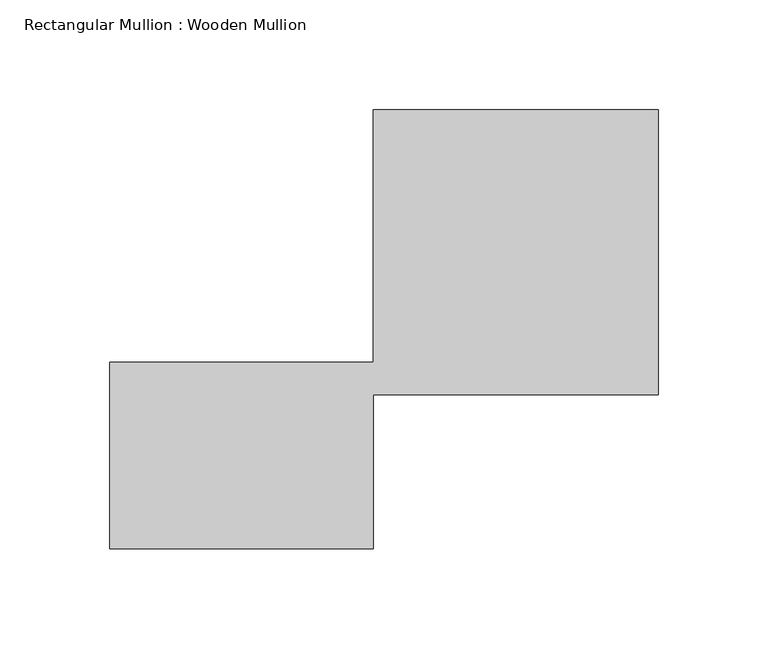
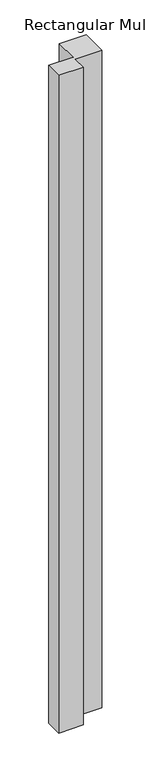
"""IFC4 building model written with IfcOpenShell, lengths in millimetres: member geometry, Rectangular Mullion : Wooden Mullion."""

from ifc_helpers import new_model, si_unit, frame, origin, place, context, project, spatial, polyline, outline, extrude, source, transform, mapped, element, save


def rectangular_mullion_wooden_mullion_a3d57657(model_context):
    return source(origin(), model_context, "Body", "SweptSolid", [
        extrude(outline(polyline([(74.8100006, -26.0137344), (-45.1899994, -26.0137344), (-45.1899994, 58.9862656), (74.8100006, 58.9862656), (74.8100006, 173.9862656), (204.8100006, 173.9862656), (204.8100006, 43.9862656), (74.8100006, 43.9862656), (74.8100006, -26.0137344)])), frame((0.0, 0.0, -3394.0837429), z_axis=(0.0, 0.0, 1.0), x_axis=(1.0, 0.0, 0.0)), (0.0, 0.0, 1.0), 3394.0837429),
    ])


if __name__ == "__main__":
    model = new_model("IFC4")
    model_context = context("Model", 3, world=origin())
    ifc_project = project(units=[si_unit("LENGTHUNIT", "METRE", prefix="MILLI")], contexts=[model_context])
    site = spatial("IfcSite", under=ifc_project)
    building = spatial("IfcBuilding", under=site)
    placement = place(None, origin())
    rectangular_mullion_wooden_mullion_shape = rectangular_mullion_wooden_mullion_a3d57657(model_context)
    element("IfcMember", 1, ObjectType="Rectangular Mullion : Wooden Mullion", at=placement, inside=building, context=model_context, shape_type="MappedRepresentation", body=[
        mapped(rectangular_mullion_wooden_mullion_shape, transform((0.0, 0.0, 0.0), x_axis=(1.0, 0.0, 0.0), y_axis=(0.0, 1.0, 0.0), z_axis=(0.0, 0.0, 1.0))),
    ])
    save(model, "model.ifc")
